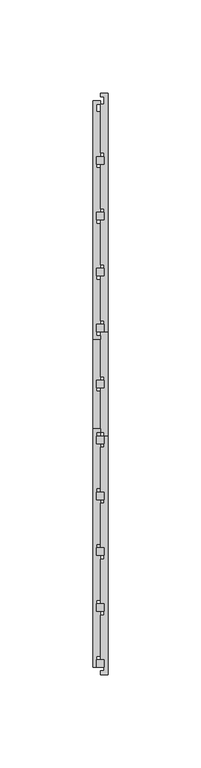
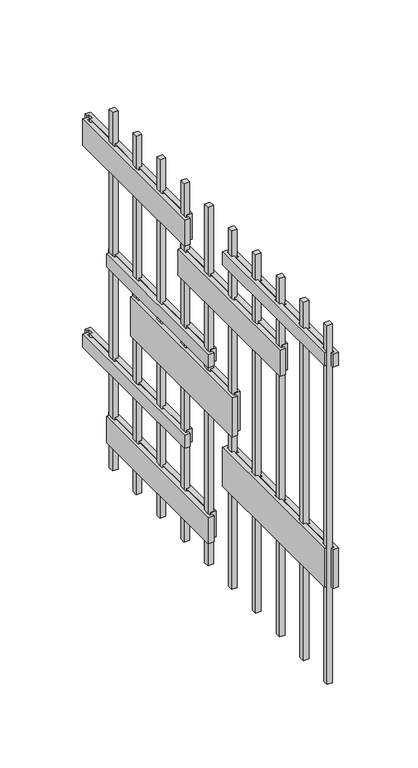
"""IFC4 building model written with IfcOpenShell, lengths in millimetres: proxy geometry."""

from ifc_helpers import new_model, si_unit, frame, origin, origin_with_axes, place, context, project, spatial, polyline, outline, extrude, source, transform, mapped, element, save


def generic_models_3f3a5ef9(model_context):
    return source(origin(), model_context, "Body", "SweptSolid", [
        extrude(outline(polyline([(2.0, -242.0), (-2.0, -242.0), (-2.0, -238.0), (2.0, -238.0), (2.0, -242.0)])), origin_with_axes(), (0.0, 0.0, 1.0), 275.0),
        extrude(outline(polyline([(2.0, -272.0), (-2.0, -272.0), (-2.0, -268.0), (2.0, -268.0), (2.0, -272.0)])), origin_with_axes(), (0.0, 0.0, 1.0), 275.0),
        extrude(outline(polyline([(4.0, 36.0), (4.0, -92.0), (0.0, -92.0), (0.0, -90.0), (2.0, -90.0), (2.0, -86.0), (0.0, -86.0), (0.0, -60.0), (2.0, -60.0), (2.0, -56.0), (0.0, -56.0), (0.0, -30.0), (2.0, -30.0), (2.0, -26.0), (0.0, -26.0), (0.0, 0.0), (2.0, 0.0), (2.0, 4.0), (0.0, 4.0), (0.0, 30.0), (2.0, 30.0), (2.0, 34.0), (0.0, 34.0), (0.0, 36.0), (4.0, 36.0)])), frame((0.0, 0.0, 75.0), z_axis=(0.0, 0.0, 1.0), x_axis=(1.0, 0.0, 0.0)), (0.0, 0.0, 1.0), 10.0),
        extrude(outline(polyline([(4.0, 6.0), (4.0, -122.0), (0.0, -122.0), (0.0, -120.0), (2.0, -120.0), (2.0, -116.0), (0.0, -116.0), (0.0, -90.0), (2.0, -90.0), (2.0, -86.0), (0.0, -86.0), (0.0, -60.0), (2.0, -60.0), (2.0, -56.0), (0.0, -56.0), (0.0, -30.0), (2.0, -30.0), (2.0, -26.0), (0.0, -26.0), (0.0, 0.0), (2.0, 0.0), (2.0, 4.0), (0.0, 4.0), (0.0, 6.0), (4.0, 6.0)])), frame((0.0, 0.0, 20.0), z_axis=(0.0, 0.0, 1.0), x_axis=(1.0, 0.0, 0.0)), (0.0, 0.0, 1.0), 20.0),
        extrude(outline(polyline([(4.0, -148.0), (4.0, -276.0), (0.0, -276.0), (0.0, -274.0), (2.0, -274.0), (2.0, -270.0), (0.0, -270.0), (0.0, -244.0), (2.0, -244.0), (2.0, -240.0), (0.0, -240.0), (0.0, -214.0), (2.0, -214.0), (2.0, -210.0), (0.0, -210.0), (0.0, -184.0), (2.0, -184.0), (2.0, -180.0), (0.0, -180.0), (0.0, -154.0), (2.0, -154.0), (2.0, -150.0), (0.0, -150.0), (0.0, -148.0), (4.0, -148.0)])), frame((0.0, 0.0, 75.0), z_axis=(0.0, 0.0, 1.0), x_axis=(1.0, 0.0, 0.0)), (0.0, 0.0, 1.0), 30.0),
        extrude(outline(polyline([(4.0, -24.0), (4.0, -152.0), (0.0, -152.0), (0.0, -150.0), (2.0, -150.0), (2.0, -146.0), (0.0, -146.0), (0.0, -120.0), (2.0, -120.0), (2.0, -116.0), (0.0, -116.0), (0.0, -90.0), (2.0, -90.0), (2.0, -86.0), (0.0, -86.0), (0.0, -60.0), (2.0, -60.0), (2.0, -56.0), (0.0, -56.0), (0.0, -30.0), (2.0, -30.0), (2.0, -26.0), (0.0, -26.0), (0.0, -24.0), (4.0, -24.0)])), frame((0.0, 0.0, 120.0), z_axis=(0.0, 0.0, 1.0), x_axis=(1.0, 0.0, 0.0)), (0.0, 0.0, 1.0), 30.0),
        extrude(outline(polyline([(4.0, 6.0), (4.0, -122.0), (0.0, -122.0), (0.0, -120.0), (2.0, -120.0), (2.0, -116.0), (0.0, -116.0), (0.0, -90.0), (2.0, -90.0), (2.0, -86.0), (0.0, -86.0), (0.0, -60.0), (2.0, -60.0), (2.0, -56.0), (0.0, -56.0), (0.0, -30.0), (2.0, -30.0), (2.0, -26.0), (0.0, -26.0), (0.0, 0.0), (2.0, 0.0), (2.0, 4.0), (0.0, 4.0), (0.0, 6.0), (4.0, 6.0)])), frame((0.0, 0.0, 155.0), z_axis=(0.0, 0.0, 1.0), x_axis=(1.0, 0.0, 0.0)), (0.0, 0.0, 1.0), 10.0),
        extrude(outline(polyline([(4.0, -84.0), (4.0, -212.0), (0.0, -212.0), (0.0, -210.0), (2.0, -210.0), (2.0, -206.0), (0.0, -206.0), (0.0, -180.0), (2.0, -180.0), (2.0, -176.0), (0.0, -176.0), (0.0, -150.0), (2.0, -150.0), (2.0, -146.0), (0.0, -146.0), (0.0, -120.0), (2.0, -120.0), (2.0, -116.0), (0.0, -116.0), (0.0, -90.0), (2.0, -90.0), (2.0, -86.0), (0.0, -86.0), (0.0, -84.0), (4.0, -84.0)])), frame((0.0, 0.0, 203.0), z_axis=(0.0, 0.0, 1.0), x_axis=(1.0, 0.0, 0.0)), (0.0, 0.0, 1.0), 20.0),
        extrude(outline(polyline([(4.0, -148.0), (4.0, -276.0), (0.0, -276.0), (0.0, -274.0), (2.0, -274.0), (2.0, -270.0), (0.0, -270.0), (0.0, -244.0), (2.0, -244.0), (2.0, -240.0), (0.0, -240.0), (0.0, -214.0), (2.0, -214.0), (2.0, -210.0), (0.0, -210.0), (0.0, -184.0), (2.0, -184.0), (2.0, -180.0), (0.0, -180.0), (0.0, -154.0), (2.0, -154.0), (2.0, -150.0), (0.0, -150.0), (0.0, -148.0), (4.0, -148.0)])), frame((0.0, 0.0, 245.0), z_axis=(0.0, 0.0, 1.0), x_axis=(1.0, 0.0, 0.0)), (0.0, 0.0, 1.0), 10.0),
        extrude(outline(polyline([(4.0, 36.0), (4.0, -92.0), (0.0, -92.0), (0.0, -90.0), (2.0, -90.0), (2.0, -86.0), (0.0, -86.0), (0.0, -60.0), (2.0, -60.0), (2.0, -56.0), (0.0, -56.0), (0.0, -30.0), (2.0, -30.0), (2.0, -26.0), (0.0, -26.0), (0.0, 0.0), (2.0, 0.0), (2.0, 4.0), (0.0, 4.0), (0.0, 30.0), (2.0, 30.0), (2.0, 34.0), (0.0, 34.0), (0.0, 36.0), (4.0, 36.0)])), frame((0.0, 0.0, 230.0), z_axis=(0.0, 0.0, 1.0), x_axis=(1.0, 0.0, 0.0)), (0.0, 0.0, 1.0), 20.0),
        extrude(outline(polyline([(-4.0, -272.0), (-4.0, -144.0), (0.0, -144.0), (0.0, -146.0), (-2.0, -146.0), (-2.0, -150.0), (0.0, -150.0), (0.0, -176.0), (-2.0, -176.0), (-2.0, -180.0), (0.0, -180.0), (0.0, -206.0), (-2.0, -206.0), (-2.0, -210.0), (0.0, -210.0), (0.0, -236.0), (-2.0, -236.0), (-2.0, -240.0), (0.0, -240.0), (0.0, -266.0), (-2.0, -266.0), (-2.0, -270.0), (0.0, -270.0), (0.0, -272.0), (-4.0, -272.0)])), frame((0.0, 0.0, 245.0), z_axis=(0.0, 0.0, 1.0), x_axis=(1.0, 0.0, 0.0)), (0.0, 0.0, 1.0), 10.0),
        extrude(outline(polyline([(-4.0, -272.0), (-4.0, -144.0), (0.0, -144.0), (0.0, -146.0), (-2.0, -146.0), (-2.0, -150.0), (0.0, -150.0), (0.0, -176.0), (-2.0, -176.0), (-2.0, -180.0), (0.0, -180.0), (0.0, -206.0), (-2.0, -206.0), (-2.0, -210.0), (0.0, -210.0), (0.0, -236.0), (-2.0, -236.0), (-2.0, -240.0), (0.0, -240.0), (0.0, -266.0), (-2.0, -266.0), (-2.0, -270.0), (0.0, -270.0), (0.0, -272.0), (-4.0, -272.0)])), frame((0.0, 0.0, 75.0), z_axis=(0.0, 0.0, 1.0), x_axis=(1.0, 0.0, 0.0)), (0.0, 0.0, 1.0), 30.0),
        extrude(outline(polyline([(-4.0, -96.0), (-4.0, 32.0), (0.0, 32.0), (0.0, 30.0), (-2.0, 30.0), (-2.0, 26.0), (0.0, 26.0), (0.0, 0.0), (-2.0, 0.0), (-2.0, -4.0), (0.0, -4.0), (0.0, -30.0), (-2.0, -30.0), (-2.0, -34.0), (0.0, -34.0), (0.0, -60.0), (-2.0, -60.0), (-2.0, -64.0), (0.0, -64.0), (0.0, -90.0), (-2.0, -90.0), (-2.0, -94.0), (0.0, -94.0), (0.0, -96.0), (-4.0, -96.0)])), frame((0.0, 0.0, 230.0), z_axis=(0.0, 0.0, 1.0), x_axis=(1.0, 0.0, 0.0)), (0.0, 0.0, 1.0), 20.0),
        extrude(outline(polyline([(2.0, -212.0), (-2.0, -212.0), (-2.0, -208.0), (2.0, -208.0), (2.0, -212.0)])), origin_with_axes(), (0.0, 0.0, 1.0), 275.0),
        extrude(outline(polyline([(2.0, -182.0), (-2.0, -182.0), (-2.0, -178.0), (2.0, -178.0), (2.0, -182.0)])), origin_with_axes(), (0.0, 0.0, 1.0), 275.0),
        extrude(outline(polyline([(-4.0, -216.0), (-4.0, -88.0), (0.0, -88.0), (0.0, -90.0), (-2.0, -90.0), (-2.0, -94.0), (0.0, -94.0), (0.0, -120.0), (-2.0, -120.0), (-2.0, -124.0), (0.0, -124.0), (0.0, -150.0), (-2.0, -150.0), (-2.0, -154.0), (0.0, -154.0), (0.0, -180.0), (-2.0, -180.0), (-2.0, -184.0), (0.0, -184.0), (0.0, -210.0), (-2.0, -210.0), (-2.0, -214.0), (0.0, -214.0), (0.0, -216.0), (-4.0, -216.0)])), frame((0.0, 0.0, 203.0), z_axis=(0.0, 0.0, 1.0), x_axis=(1.0, 0.0, 0.0)), (0.0, 0.0, 1.0), 20.0),
        extrude(outline(polyline([(-4.0, -96.0), (-4.0, 32.0), (0.0, 32.0), (0.0, 30.0), (-2.0, 30.0), (-2.0, 26.0), (0.0, 26.0), (0.0, 0.0), (-2.0, 0.0), (-2.0, -4.0), (0.0, -4.0), (0.0, -30.0), (-2.0, -30.0), (-2.0, -34.0), (0.0, -34.0), (0.0, -60.0), (-2.0, -60.0), (-2.0, -64.0), (0.0, -64.0), (0.0, -90.0), (-2.0, -90.0), (-2.0, -94.0), (0.0, -94.0), (0.0, -96.0), (-4.0, -96.0)])), frame((0.0, 0.0, 75.0), z_axis=(0.0, 0.0, 1.0), x_axis=(1.0, 0.0, 0.0)), (0.0, 0.0, 1.0), 10.0),
        extrude(outline(polyline([(-4.0, -126.0), (-4.0, 2.0), (0.0, 2.0), (0.0, 0.0), (-2.0, 0.0), (-2.0, -4.0), (0.0, -4.0), (0.0, -30.0), (-2.0, -30.0), (-2.0, -34.0), (0.0, -34.0), (0.0, -60.0), (-2.0, -60.0), (-2.0, -64.0), (0.0, -64.0), (0.0, -90.0), (-2.0, -90.0), (-2.0, -94.0), (0.0, -94.0), (0.0, -120.0), (-2.0, -120.0), (-2.0, -124.0), (0.0, -124.0), (0.0, -126.0), (-4.0, -126.0)])), frame((0.0, 0.0, 20.0), z_axis=(0.0, 0.0, 1.0), x_axis=(1.0, 0.0, 0.0)), (0.0, 0.0, 1.0), 20.0),
        extrude(outline(polyline([(-4.0, -156.0), (-4.0, -28.0), (0.0, -28.0), (0.0, -30.0), (-2.0, -30.0), (-2.0, -34.0), (0.0, -34.0), (0.0, -60.0), (-2.0, -60.0), (-2.0, -64.0), (0.0, -64.0), (0.0, -90.0), (-2.0, -90.0), (-2.0, -94.0), (0.0, -94.0), (0.0, -120.0), (-2.0, -120.0), (-2.0, -124.0), (0.0, -124.0), (0.0, -150.0), (-2.0, -150.0), (-2.0, -154.0), (0.0, -154.0), (0.0, -156.0), (-4.0, -156.0)])), frame((0.0, 0.0, 120.0), z_axis=(0.0, 0.0, 1.0), x_axis=(1.0, 0.0, 0.0)), (0.0, 0.0, 1.0), 30.0),
        extrude(outline(polyline([(-4.0, -126.0), (-4.0, 2.0), (0.0, 2.0), (0.0, 0.0), (-2.0, 0.0), (-2.0, -4.0), (0.0, -4.0), (0.0, -30.0), (-2.0, -30.0), (-2.0, -34.0), (0.0, -34.0), (0.0, -60.0), (-2.0, -60.0), (-2.0, -64.0), (0.0, -64.0), (0.0, -90.0), (-2.0, -90.0), (-2.0, -94.0), (0.0, -94.0), (0.0, -120.0), (-2.0, -120.0), (-2.0, -124.0), (0.0, -124.0), (0.0, -126.0), (-4.0, -126.0)])), frame((0.0, 0.0, 155.0), z_axis=(0.0, 0.0, 1.0), x_axis=(1.0, 0.0, 0.0)), (0.0, 0.0, 1.0), 10.0),
        extrude(outline(polyline([(2.0, -148.0), (2.0, -152.0), (-2.0, -152.0), (-2.0, -148.0), (2.0, -148.0)])), origin_with_axes(), (0.0, 0.0, 1.0), 275.0),
        extrude(outline(polyline([(2.0, -118.0), (2.0, -122.0), (-2.0, -122.0), (-2.0, -118.0), (2.0, -118.0)])), origin_with_axes(), (0.0, 0.0, 1.0), 275.0),
        extrude(outline(polyline([(2.0, -88.0), (2.0, -92.0), (-2.0, -92.0), (-2.0, -88.0), (2.0, -88.0)])), origin_with_axes(), (0.0, 0.0, 1.0), 275.0),
        extrude(outline(polyline([(2.0, -58.0), (2.0, -62.0), (-2.0, -62.0), (-2.0, -58.0), (2.0, -58.0)])), origin_with_axes(), (0.0, 0.0, 1.0), 275.0),
        extrude(outline(polyline([(2.0, -28.0), (2.0, -32.0), (-2.0, -32.0), (-2.0, -28.0), (2.0, -28.0)])), origin_with_axes(), (0.0, 0.0, 1.0), 275.0),
        extrude(outline(polyline([(2.0, 2.0), (2.0, -2.0), (-2.0, -2.0), (-2.0, 2.0), (2.0, 2.0)])), origin_with_axes(), (0.0, 0.0, 1.0), 275.0),
    ])


if __name__ == "__main__":
    model = new_model("IFC4")
    model_context = context("Model", 3, world=origin())
    ifc_project = project(units=[si_unit("LENGTHUNIT", "METRE", prefix="MILLI")], contexts=[model_context])
    site = spatial("IfcSite", under=ifc_project)
    building = spatial("IfcBuilding", under=site)
    placement = place(None, origin())
    generic_models_shape = generic_models_3f3a5ef9(model_context)
    element("IfcBuildingElementProxy", 1, Name="Generic Models", at=placement, inside=building, context=model_context, shape_type="MappedRepresentation", body=[
        mapped(generic_models_shape, transform((0.0, 0.0, 0.0), x_axis=(1.0, 0.0, 0.0), y_axis=(0.0, 1.0, 0.0), z_axis=(0.0, 0.0, 1.0))),
    ])
    save(model, "model.ifc")
